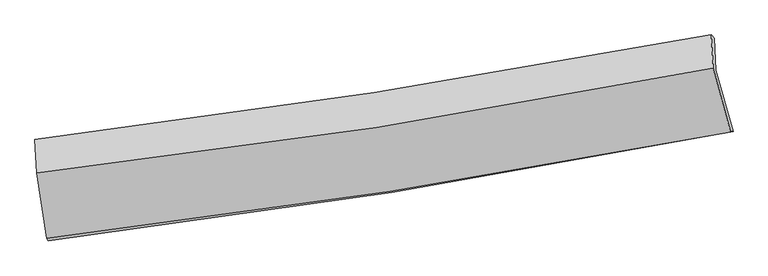
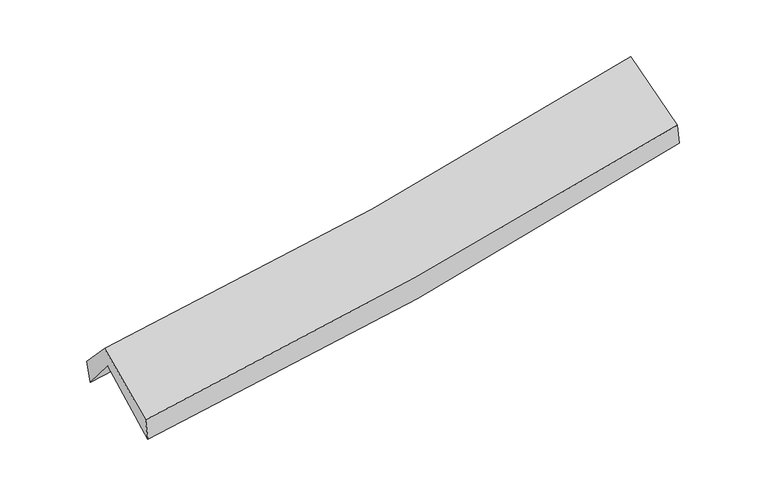
"""IFC4 building model written with IfcOpenShell, lengths in millimetres: proxy geometry."""

from ifc_helpers import new_model, si_unit, frame, origin, place, context, project, spatial, source, transform, mapped, element, save
from ifc_brep_helpers import plane_surface, spline_curve, spline_surface, advanced_brep


def generic_models_f348e8fa(model_context):
    return source(origin(), model_context, "Body", "AdvancedBrep", [
        advanced_brep(
        [(-2623.1376143, -2490.5707255, 1466.4981797), (-2700.7108717, -1987.798643, 1901.8910901), (2633.8230687, -1146.1798161, 2374.2625891), (2768.9125316, -1630.1204887, 1942.7408277), (-2712.6297821, -1730.6585496, 1589.7955516), (2622.5670277, -892.5974292, 2065.5874078), (-2726.4045242, -1693.3709145, 1776.6407878), (2596.9497298, -867.5699199, 2255.2760563), (-2712.2479183, -1955.9756189, 2057.134701), (2612.9427086, -1130.5709853, 2536.6176149), (-2634.4222395, -2473.5979844, 1648.1647897), (2749.0030352, -1632.594802, 2125.5967909)],
        [
            (0, 1),
            (1, 2, spline_curve(3, [(-2700.7108717, -1987.798643, 1901.8910901), (-1805.052414766, -1876.518786376, 1950.092429561), (-912.916799889, -1750.789627249, 2013.527908373), (865.26879658, -1470.281257164, 2170.952139397), (1751.311161489, -1315.470807036, 2264.973826704), (2633.8230687, -1146.1798161, 2374.2625891)], [4, 2, 4], [0.0, 8.940223867277348, 17.89010667445733])),
            (2, 3),
            (3, 0, spline_curve(3, [(2768.9125316, -1630.1204887, 1942.7408277), (1878.171668962, -1805.290992378, 1833.686337138), (983.218853691, -1964.610590401, 1739.458778369), (-814.14028153, -2251.393141356, 1580.743214996), (-1716.537514489, -2378.890288437, 1516.223224462), (-2623.1376143, -2490.5707255, 1466.4981797)], [4, 2, 4], [0.0, 8.94988280717998, 17.89010667445733])),
            (1, 4),
            (4, 5, spline_curve(3, [(-2712.6297821, -1730.6585496, 1589.7955516), (-1817.033404716, -1616.836534294, 1635.09140899), (-924.873666528, -1490.131764905, 1697.358084888), (853.532699613, -1210.805910152, 1855.91868001), (1739.771898318, -1058.156972518, 1952.249289903), (2622.5670277, -892.5974292, 2065.5874078)], [4, 2, 4], [0.0, 8.891421881921262, 17.792449978505758])),
            (5, 2),
            (4, 6),
            (6, 7, spline_curve(3, [(-2726.4045242, -1693.3709145, 1776.6407878), (-1833.001965599, -1584.637549371, 1826.987021414), (-942.925543506, -1461.499053251, 1892.016943837), (831.533065381, -1186.263198214, 2051.530287653), (1715.908061265, -1034.134696078, 2146.045454861), (2596.9497298, -867.5699199, 2255.2760563)], [4, 2, 4], [0.0, 8.880791340072093, 17.771177409662712])),
            (7, 5),
            (6, 8),
            (8, 9, spline_curve(3, [(-2712.2479183, -1955.9756189, 2057.134701), (-1818.125859039, -1854.003558497, 2114.765054657), (-927.536626366, -1734.2805343, 2183.50956438), (847.534553572, -1459.184033003, 2343.313173826), (1732.00886332, -1303.772179372, 2434.396302326), (2612.9427086, -1130.5709853, 2536.6176149)], [4, 2, 4], [0.0, 8.8713251897944, 17.75223488196111])),
            (9, 7),
            (8, 10),
            (10, 11, spline_curve(3, [(-2634.4222395, -2473.5979844, 1648.1647897), (-1730.777808736, -2365.371245632, 1712.452861965), (-830.577171054, -2241.220718206, 1784.357303275), (963.905365728, -1960.920750724, 1943.484837315), (1858.17981973, -1804.736883829, 2030.724396392), (2749.0030352, -1632.594802, 2125.5967909)], [4, 2, 4], [0.0, 8.92125613518084, 17.852150717691966])),
            (11, 9),
            (10, 0),
            (3, 11),
        ],
        [
            spline_surface(3, 3, [[(-2623.1376143, -2490.5707255, 1466.4981797), (-1716.537514632, -2378.890288574, 1516.223224492), (-814.140281434, -2251.393141213, 1580.743214981), (983.218853595, -1964.610590545, 1739.458778384), (1878.171669011, -1805.29099231, 1833.686337229), (2768.9125316, -1630.1204887, 1942.7408277)], [(-2648.995366765, -2322.980031337, 1611.629149833), (-1746.042481385, -2211.43312118, 1660.846292833), (-847.065787566, -2084.525303279, 1725.004779484), (943.902167902, -1799.834146067, 1883.289898719), (1835.884833194, -1642.01759725, 1977.44883374), (2723.882710629, -1468.806931172, 2086.581414845)], [(-2674.853119235, -2155.389337163, 1756.760119967), (-1775.547448143, -2043.975953775, 1805.469361175), (-879.991293695, -1917.657465291, 1869.266343932), (904.585482211, -1635.057701534, 2027.121018999), (1793.59799739, -1478.744202175, 2121.211330216), (2678.852889671, -1307.493373628, 2230.422001955)], [(-2700.7108717, -1987.798643, 1901.8910901), (-1805.052414896, -1876.518786381, 1950.092429516), (-912.916799826, -1750.789627357, 2013.527908435), (865.268796518, -1470.281257056, 2170.952139335), (1751.311161574, -1315.470807115, 2264.973826727), (2633.8230687, -1146.1798161, 2374.2625891)]], [4, 4], [4, 2, 4], [0.0, 2.1909473713337677], [0.0, 8.940223867277348, 17.89010667445733]),
            spline_surface(3, 3, [[(-2700.7108717, -1987.798643, 1901.8910901), (-1805.052414896, -1876.518786381, 1950.092429516), (-912.916799826, -1750.789627357, 2013.527908435), (865.268796518, -1470.281257056, 2170.952139335), (1751.311161574, -1315.470807115, 2264.973826727), (2633.8230687, -1146.1798161, 2374.2625891)], [(-2704.683841814, -1902.085278539, 1797.859243933), (-1809.046078176, -1789.958035647, 1845.092089368), (-916.902422116, -1663.90367323, 1908.137967205), (861.356764252, -1383.789474716, 2065.940986251), (1747.464740464, -1229.699528889, 2160.732314409), (2630.071055024, -1061.652353802, 2271.370861985)], [(-2708.656811986, -1816.371914061, 1693.827397767), (-1813.039741514, -1703.397284895, 1740.09174922), (-920.888044376, -1577.017719125, 1802.748026009), (857.444732017, -1297.297692399, 1960.929833202), (1743.618319382, -1143.928250658, 2056.490802136), (2626.319041376, -977.124891498, 2168.479134915)], [(-2712.6297821, -1730.6585496, 1589.7955516), (-1817.033404794, -1616.836534161, 1635.091409071), (-924.873666665, -1490.131764998, 1697.358084779), (853.532699751, -1210.80591006, 1855.918680118), (1739.771898273, -1058.156972432, 1952.249289818), (2622.5670277, -892.5974292, 2065.5874078)]], [4, 4], [4, 2, 4], [0.0, 1.3422551163024354], [0.0, 8.891421881921262, 17.792449978505758]),
            spline_surface(3, 3, [[(-2712.6297821, -1730.6585496, 1589.7955516), (-1817.033404794, -1616.836534161, 1635.091409071), (-924.873666665, -1490.131764998, 1697.358084779), (853.532699751, -1210.80591006, 1855.918680118), (1739.771898273, -1058.156972432, 1952.249289818), (2622.5670277, -892.5974292, 2065.5874078)], [(-2717.221362802, -1718.229337881, 1652.077297012), (-1822.356258427, -1606.103539209, 1699.05661317), (-930.890958937, -1480.587527738, 1762.244371086), (846.199488316, -1202.625006108, 1921.122549343), (1731.817285945, -1050.149546993, 2016.848011535), (2614.027928407, -884.254926099, 2128.816957308)], [(-2721.812943498, -1705.800126219, 1714.359042388), (-1827.679112053, -1595.370544313, 1763.021817234), (-936.908251253, -1471.0432905, 1827.130657391), (838.866276836, -1194.444102176, 1986.326418567), (1723.862673597, -1042.142121557, 2081.446733226), (2605.488829093, -875.912423001, 2192.046506792)], [(-2726.4045242, -1693.3709145, 1776.6407878), (-1833.001965685, -1584.637549361, 1826.987021333), (-942.925543524, -1461.499053241, 1892.016943698), (831.5330654, -1186.263198224, 2051.530287792), (1715.90806127, -1034.134696118, 2146.045454943), (2596.9497298, -867.5699199, 2255.2760563)]], [4, 4], [4, 2, 4], [0.0, 0.6494560307238048], [0.0, 8.880791340072093, 17.771177409662712]),
            spline_surface(3, 3, [[(-2726.4045242, -1693.3709145, 1776.6407878), (-1833.001965685, -1584.637549361, 1826.987021333), (-942.925543524, -1461.499053241, 1892.016943698), (831.5330654, -1186.263198224, 2051.530287792), (1715.90806127, -1034.134696118, 2146.045454943), (2596.9497298, -867.5699199, 2255.2760563)], [(-2721.685655568, -1780.905815964, 1870.138758858), (-1828.043263499, -1674.42621904, 1922.913032434), (-937.795904524, -1552.426213578, 1989.181150562), (836.866894788, -1277.236809844, 2148.791249865), (1721.274995281, -1124.013857187, 2242.162404076), (2602.280722742, -955.236941688, 2349.056575831)], [(-2716.966786932, -1868.440717436, 1963.636729942), (-1823.084561309, -1764.214888727, 2018.83904356), (-932.666265441, -1643.353373899, 2086.345357379), (842.200724259, -1368.210421446, 2246.05221189), (1726.641929266, -1213.893018292, 2338.279353215), (2607.611715658, -1042.903963512, 2442.837095369)], [(-2712.2479183, -1955.9756189, 2057.134701), (-1818.125859122, -1854.003558406, 2114.765054661), (-927.536626441, -1734.280534236, 2183.509564244), (847.534553647, -1459.184033066, 2343.313173962), (1732.008863278, -1303.772179361, 2434.396302348), (2612.9427086, -1130.5709853, 2536.6176149)]], [4, 4], [4, 2, 4], [0.0, 1.3112972119476072], [0.0, 8.8713251897944, 17.75223488196111]),
            spline_surface(3, 3, [[(-2712.2479183, -1955.9756189, 2057.134701), (-1818.125859122, -1854.003558406, 2114.765054661), (-927.536626441, -1734.280534236, 2183.509564244), (847.534553647, -1459.184033066, 2343.313173962), (1732.008863278, -1303.772179361, 2434.396302348), (2612.9427086, -1130.5709853, 2536.6176149)], [(-2686.306025372, -2128.516407424, 1920.811397239), (-1789.009842306, -2024.459454211, 1980.660990421), (-895.216807972, -1903.260595584, 2050.458810555), (886.324824377, -1626.429605562, 2210.037061766), (1774.065848778, -1470.760414217, 2299.839000411), (2658.296150797, -1297.912257531, 2399.610673574)], [(-2660.364132428, -2301.057195876, 1784.488093461), (-1759.893825475, -2194.915349944, 1846.556926165), (-862.896989568, -2072.24065698, 1917.408056887), (925.115095042, -1793.675178107, 2076.760949588), (1816.122834286, -1637.748649081, 2165.281698453), (2703.649593003, -1465.253529769, 2262.603732226)], [(-2634.4222395, -2473.5979844, 1648.1647897), (-1730.777808659, -2365.371245749, 1712.452861925), (-830.577171098, -2241.220718327, 1784.357303198), (963.905365773, -1960.920750603, 1943.484837392), (1858.179819786, -1804.736883938, 2030.724396516), (2749.0030352, -1632.594802, 2125.5967909)]], [4, 4], [4, 2, 4], [0.0, 2.139668401621943], [0.0, 8.92125613518084, 17.852150717691966]),
            spline_surface(3, 3, [[(-2634.4222395, -2473.5979844, 1648.1647897), (-1730.777808659, -2365.371245749, 1712.452861925), (-830.577171098, -2241.220718327, 1784.357303198), (963.905365773, -1960.920750603, 1943.484837392), (1858.179819786, -1804.736883938, 2030.724396516), (2749.0030352, -1632.594802, 2125.5967909)], [(-2630.66069778, -2479.255564754, 1587.609253025), (-1726.031043996, -2369.877593345, 1647.042982772), (-825.098207875, -2244.611525963, 1716.485940443), (970.343195049, -1962.150697257, 1875.476151039), (1864.843769528, -1804.921586737, 1965.04504341), (2755.639534001, -1631.770030908, 2064.644803156)], [(-2626.89915602, -2484.913145146, 1527.053716375), (-1721.284279294, -2374.383940978, 1581.633103645), (-819.619244657, -2248.002333578, 1648.614577737), (976.78102432, -1963.380643891, 1807.467464736), (1871.507719269, -1805.106289511, 1899.365690336), (2762.276032799, -1630.945259792, 2003.692815444)], [(-2623.1376143, -2490.5707255, 1466.4981797), (-1716.537514632, -2378.890288574, 1516.223224492), (-814.140281434, -2251.393141213, 1580.743214981), (983.218853595, -1964.610590545, 1739.458778384), (1878.171669011, -1805.29099231, 1833.686337229), (2768.9125316, -1630.1204887, 1942.7408277)]], [4, 4], [4, 2, 4], [0.0, 0.6716535600468274], [0.0, 8.979434858870256, 17.968571020856523]),
            plane_surface(frame((2664.0330169, -1216.6055735, 2216.6802145), z_axis=(0.9783488425798976, 0.1759922893442158, 0.10890480390669992), x_axis=(0.20524033771712089, -0.7572783357288668, -0.6200047790214845))),
            plane_surface(frame((-2684.9254917, -2055.3287393, 1740.02085), z_axis=(-0.9927544378633717, -0.10855309461372853, -0.05152525354002448), x_axis=(-0.061729929422187226, 0.09284545059965754, 0.9937651322704366))),
        ],
        [
            (0, [[1, 2, 3, 4]]),
            (1, [[5, 6, 7, -2]]),
            (2, [[8, 9, 10, -6]]),
            (3, [[11, 12, 13, -9]]),
            (4, [[14, 15, 16, -12]]),
            (5, [[17, -4, 18, -15]]),
            (6, [[-16, -18, -3, -7, -10, -13]]),
            (7, [[-17, -14, -11, -8, -5, -1]]),
        ],
    ),
    ])


if __name__ == "__main__":
    model = new_model("IFC4")
    model_context = context("Model", 3, world=origin())
    ifc_project = project(units=[si_unit("LENGTHUNIT", "METRE", prefix="MILLI")], contexts=[model_context])
    site = spatial("IfcSite", under=ifc_project)
    building = spatial("IfcBuilding", under=site)
    placement = place(None, origin())
    generic_models_shape = generic_models_f348e8fa(model_context)
    element("IfcBuildingElementProxy", 1, Name="Generic Models", at=placement, inside=building, context=model_context, shape_type="MappedRepresentation", body=[
        mapped(generic_models_shape, transform((0.0, 0.0, 0.0), x_axis=(1.0, 0.0, 0.0), y_axis=(0.0, 1.0, 0.0), z_axis=(0.0, 0.0, 1.0))),
    ])
    save(model, "model.ifc")
